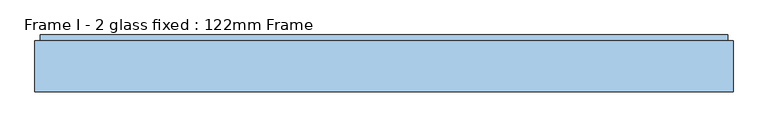
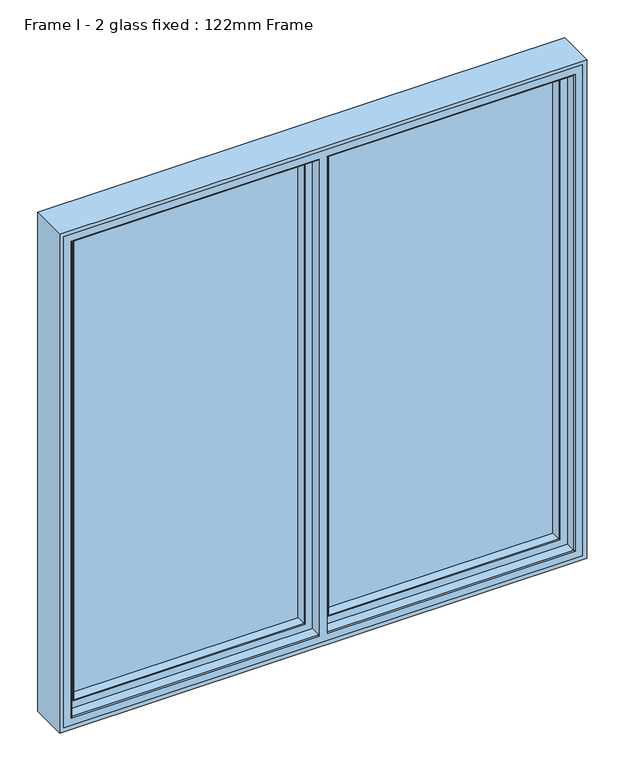
"""IFC4 building model written with IfcOpenShell, lengths in millimetres: window geometry, Frame I - 2 glass fixed : 122mm Frame."""

from ifc_helpers import new_model, si_unit, frame, origin, place, context, project, spatial, polyline, circle_curve, ellipse_curve, outline, extrude, source, transform, mapped, element, save
from ifc_brep_helpers import plane_surface, cylinder_surface, advanced_brep


def frame_i_2_glass_fixed_122mm_frame_a1879e1c(model_context):
    return source(origin(), model_context, "Body", "SolidModel", [
        extrude(outline(polyline([(24.2, 141.0), (702.6, 141.0), (702.6, 93.0), (24.2, 93.0), (24.2, 141.0)])), frame((0.0, 0.0, 847.4), z_axis=(0.0, 0.0, 1.0), x_axis=(1.0, 0.0, 0.0)), (0.0, 0.0, 1.0), 1405.2),
        advanced_brep(
        [(690.9078547, 66.2562613, 2240.9078547), (687.8697056, 91.0, 2237.8697056), (687.8697056, 91.0, 862.1302944), (690.9078547, 66.2562613, 859.0921453), (711.5, 91.0, 838.5), (14.5, 91.0, 838.5), (14.5, 91.0, 2261.5), (711.5, 91.0, 2261.5), (38.1302944, 91.0, 2237.8697056), (38.1302944, 91.0, 862.1302944), (35.0921453, 66.2562613, 859.0921453), (692.892947, 64.5, 2242.892947), (692.892947, 64.5, 857.107053), (711.5, 82.0, 2261.5), (711.5, 82.0, 838.5), (714.0, 82.0, 836.0), (12.0, 82.0, 836.0), (12.0, 82.0, 2264.0), (714.0, 82.0, 2264.0), (14.5, 82.0, 2261.5), (14.5, 82.0, 838.5), (714.0, 64.5, 2264.0), (714.0, 64.5, 836.0), (12.0, 64.5, 2264.0), (12.0, 64.5, 836.0), (33.107053, 64.5, 857.107053), (33.107053, 64.5, 2242.892947), (35.0921453, 66.2562613, 2240.9078547)],
        [
            (0, 1),
            (1, 2),
            (2, 3),
            (3, 0),
            (4, 5),
            (5, 6),
            (6, 7),
            (7, 4),
            (1, 8),
            (8, 9),
            (9, 2),
            (9, 10),
            (10, 3),
            (11, 0, ellipse_curve(frame((692.892947, 66.5, 2242.892947), z_axis=(0.7071067811865475, 0.0, -0.7071067811865475), x_axis=(0.7071067811865472, 0.0, 0.7071067811865477)), 2.8284271, 2.0)),
            (3, 12, ellipse_curve(frame((692.892947, 66.5, 857.107053), z_axis=(0.7071067811865475, 0.0, 0.7071067811865475), x_axis=(-0.7071067811865475, 0.0, 0.7071067811865476)), 2.8284271, 2.0)),
            (12, 11),
            (7, 13),
            (13, 14),
            (14, 4),
            (15, 16),
            (16, 17),
            (17, 18),
            (18, 15),
            (13, 19),
            (19, 20),
            (20, 14),
            (20, 5),
            (18, 21),
            (21, 22),
            (22, 15),
            (21, 23),
            (23, 24),
            (24, 22),
            (12, 25),
            (25, 26),
            (26, 11),
            (24, 16),
            (10, 25, ellipse_curve(frame((33.107053, 66.5, 857.107053), z_axis=(0.7071067811865475, 0.0, -0.7071067811865475), x_axis=(0.7071067811865477, 0.0, 0.7071067811865472)), 2.8284271, 2.0)),
            (8, 27),
            (27, 10),
            (19, 6),
            (23, 17),
            (27, 26, ellipse_curve(frame((33.107053, 66.5, 2242.892947), z_axis=(-0.7071067811865476, 0.0, -0.7071067811865475), x_axis=(0.7071067811865475, 0.0, -0.7071067811865475)), 2.8284271, 2.0)),
            (0, 27),
        ],
        [
            plane_surface(frame((687.8697056, 91.0, 2237.8697056), z_axis=(-0.9925461516413215, -0.12186934340515153, 0.0), x_axis=(0.0, 0.0, -1.0))),
            plane_surface(frame((14.5, 91.0, 2261.5), z_axis=(0.0, 1.0, 0.0), x_axis=(1.0, 0.0, 0.0))),
            plane_surface(frame((687.8697056, 91.0, 862.1302944), z_axis=(0.0, -0.12186934340515153, 0.9925461516413215), x_axis=(-1.0, 0.0, 0.0))),
            cylinder_surface(frame((692.892947, 66.5, 2237.6), z_axis=(0.0, 0.0, 1.0), x_axis=(0.0, 1.0, 0.0)), 2.0),
            plane_surface(frame((711.5, 82.0, 2261.5), z_axis=(1.0, 0.0, 0.0), x_axis=(0.0, 0.0, -1.0))),
            plane_surface(frame((12.0, 82.0, 2264.0), z_axis=(0.0, 1.0, 0.0), x_axis=(1.0, 0.0, 0.0))),
            plane_surface(frame((711.5, 82.0, 838.5), z_axis=(0.0, 0.0, -1.0), x_axis=(-1.0, 0.0, 0.0))),
            plane_surface(frame((714.0, 64.5, 2264.0), z_axis=(1.0, 0.0, 0.0), x_axis=(0.0, 0.0, -1.0))),
            plane_surface(frame((33.107053, 64.5, 2242.892947), z_axis=(0.0, -1.0, 0.0), x_axis=(1.0, 0.0, 0.0))),
            plane_surface(frame((714.0, 64.5, 836.0), z_axis=(0.0, 0.0, -1.0), x_axis=(-1.0, 0.0, 0.0))),
            cylinder_surface(frame((687.6, 66.5, 857.107053), z_axis=(1.0, 0.0, 0.0), x_axis=(0.0, 1.0, 0.0)), 2.0),
            plane_surface(frame((38.1302944, 91.0, 862.1302944), z_axis=(0.9925461516413215, -0.12186934340515153, 0.0), x_axis=(0.0, 0.0, 1.0))),
            plane_surface(frame((14.5, 82.0, 838.5), z_axis=(-1.0, 0.0, 0.0), x_axis=(0.0, 0.0, 1.0))),
            plane_surface(frame((12.0, 64.5, 836.0), z_axis=(-1.0, 0.0, 0.0), x_axis=(0.0, 0.0, 1.0))),
            cylinder_surface(frame((33.107053, 66.5, 862.4), z_axis=(0.0, 0.0, -1.0), x_axis=(0.0, 1.0, 0.0)), 2.0),
            plane_surface(frame((38.1302944, 91.0, 2237.8697056), z_axis=(0.0, -0.12186934340515153, -0.9925461516413215), x_axis=(1.0, 0.0, 0.0))),
            plane_surface(frame((14.5, 82.0, 2261.5), z_axis=(0.0, 0.0, 1.0), x_axis=(1.0, 0.0, 0.0))),
            plane_surface(frame((12.0, 64.5, 2264.0), z_axis=(0.0, 0.0, 1.0), x_axis=(1.0, 0.0, 0.0))),
            cylinder_surface(frame((38.4, 66.5, 2242.892947), z_axis=(-1.0, 0.0, 0.0), x_axis=(0.0, 1.0, 0.0)), 2.0),
        ],
        [
            (0, [[1, 2, 3, 4]]),
            (1, [[5, 6, 7, 8], [9, 10, 11, -2]]),
            (2, [[-3, -11, 12, 13]]),
            (3, [[14, -4, 15, 16]]),
            (4, [[17, 18, 19, -8]]),
            (5, [[20, 21, 22, 23], [24, 25, 26, -18]]),
            (6, [[-19, -26, 27, -5]]),
            (7, [[28, 29, 30, -23]]),
            (8, [[31, 32, 33, -29], [34, 35, 36, -16]]),
            (9, [[-30, -33, 37, -20]]),
            (10, [[-15, -13, 38, -34]]),
            (11, [[-12, -10, 39, 40]]),
            (12, [[-27, -25, 41, -6]]),
            (13, [[-37, -32, 42, -21]]),
            (14, [[-38, -40, 43, -35]]),
            (15, [[-39, -9, -1, 44]]),
            (16, [[-41, -24, -17, -7]]),
            (17, [[-42, -31, -28, -22]]),
            (18, [[-43, -44, -14, -36]]),
        ],
    ),
        advanced_brep(
        [(-714.0, 83.0, 2264.0), (-714.0, 35.0, 2264.0), (-714.0, 35.0, 836.0), (-714.0, 83.0, 836.0), (-717.0, 32.0, 2267.0), (-717.0, 32.0, 833.0), (-12.0, 35.0, 836.0), (-12.0, 83.0, 836.0), (714.0, 35.0, 836.0), (714.0, 83.0, 836.0), (12.0, 83.0, 836.0), (12.0, 35.0, 836.0), (-12.0, 83.0, 838.0), (-712.0, 83.0, 838.0), (-712.0, 83.0, 2262.0), (-12.0, 83.0, 2262.0), (-12.0, 83.0, 2264.0), (714.0, 83.0, 2264.0), (12.0, 83.0, 2264.0), (12.0, 83.0, 2262.0), (712.0, 83.0, 2262.0), (712.0, 83.0, 838.0), (12.0, 83.0, 838.0), (-712.0, 91.0, 2262.0), (-712.0, 91.0, 838.0), (712.0, 91.0, 838.0), (12.0, 91.0, 838.0), (-12.0, 91.0, 838.0), (-12.0, 91.0, 2262.0), (-705.7805994, 91.0, 2255.7805994), (-20.2, 91.0, 2255.7805994), (-20.2, 91.0, 844.2194006), (-705.7805994, 91.0, 844.2194006), (712.0, 91.0, 2262.0), (12.0, 91.0, 2262.0), (705.7805994, 91.0, 844.2194006), (20.2, 91.0, 844.2194006), (20.2, 91.0, 2255.7805994), (705.7805994, 91.0, 2255.7805994), (-688.0131086, 143.3877115, 2238.0131086), (-688.0131086, 142.0, 2238.0131086), (-688.0131086, 142.0, 861.9868914), (-688.0131086, 143.3877115, 861.9868914), (-712.2226568, 142.0, 2262.2226568), (-712.2226568, 142.0, 837.7773432), (-13.9379874, 142.0, 837.7773432), (-13.9379874, 142.0, 2262.2226568), (-38.4111574, 142.0, 2238.0131086), (-38.4111574, 142.0, 861.9868914), (712.2226568, 142.0, 837.7773432), (712.2226568, 142.0, 2262.2226568), (13.9379874, 142.0, 2262.2226568), (13.9379874, 142.0, 837.7773432), (688.0131086, 142.0, 2238.0131086), (688.0131086, 142.0, 861.9868914), (38.4111574, 142.0, 861.9868914), (38.4111574, 142.0, 2238.0131086), (-37.9868914, 143.3877115, 861.9868914), (688.0131086, 143.3877115, 861.9868914), (37.9868914, 143.3877115, 861.9868914), (-691.2576108, 154.0, 858.7423892), (-691.2576108, 154.0, 2241.2576108), (-34.7423892, 154.0, 858.7423892), (691.2576108, 154.0, 858.7423892), (34.7423892, 154.0, 858.7423892), (738.0, 154.0, 812.0), (-738.0, 154.0, 812.0), (-738.0, 154.0, 2288.0), (738.0, 154.0, 2288.0), (-34.7423892, 154.0, 2241.2576108), (691.2576108, 154.0, 2241.2576108), (34.7423892, 154.0, 2241.2576108), (-738.0, 90.5, 2288.0), (-738.0, 90.5, 812.0), (738.0, 90.5, 812.0), (12.0, 90.5, 812.0), (12.0, 86.5, 812.0), (738.0, 86.5, 812.0), (738.0, 32.0, 812.0), (-738.0, 32.0, 812.0), (-738.0, 86.5, 812.0), (-12.0, 86.5, 812.0), (-12.0, 90.5, 812.0), (-12.0, 90.5, 819.0), (-731.0, 90.5, 819.0), (-731.0, 90.5, 2281.0), (-12.0, 90.5, 2281.0), (-12.0, 90.5, 2288.0), (738.0, 90.5, 2288.0), (12.0, 90.5, 2288.0), (12.0, 90.5, 2281.0), (731.0, 90.5, 2281.0), (731.0, 90.5, 819.0), (12.0, 90.5, 819.0), (-12.0, 32.0, 833.0), (717.0, 32.0, 833.0), (12.0, 32.0, 833.0), (-12.0, 86.5, 819.0), (-12.0, 32.0, 2267.0), (-12.0, 35.0, 2264.0), (-12.0, 86.5, 2288.0), (-12.0, 86.5, 2281.0), (714.0, 35.0, 2264.0), (12.0, 86.5, 819.0), (12.0, 32.0, 2267.0), (12.0, 35.0, 2264.0), (12.0, 86.5, 2288.0), (12.0, 86.5, 2281.0), (-37.9868914, 143.3877115, 2238.0131086), (688.0131086, 143.3877115, 2238.0131086), (37.9868914, 143.3877115, 2238.0131086), (-731.0, 86.5, 2281.0), (-731.0, 86.5, 819.0), (-738.0, 86.5, 2288.0), (731.0, 86.5, 819.0), (731.0, 86.5, 2281.0), (738.0, 86.5, 2288.0), (738.0, 32.0, 2288.0), (-738.0, 32.0, 2288.0), (717.0, 32.0, 2267.0)],
        [
            (0, 1),
            (1, 2),
            (2, 3),
            (3, 0),
            (1, 4, ellipse_curve(frame((-717.0, 35.0, 2267.0), z_axis=(-0.7071067811865475, 0.0, -0.7071067811865475), x_axis=(-0.7071067811865474, 0.0, 0.7071067811865476)), 4.2426407, 3.0)),
            (4, 5),
            (5, 2, ellipse_curve(frame((-717.0, 35.0, 833.0), z_axis=(-0.7071067811865475, 0.0, 0.7071067811865475), x_axis=(0.7071067811865474, 0.0, 0.7071067811865476)), 4.2426407, 3.0)),
            (2, 6),
            (6, 7),
            (7, 3),
            (8, 9),
            (9, 10),
            (10, 11),
            (11, 8),
            (7, 12),
            (12, 13),
            (13, 14),
            (14, 15),
            (15, 16),
            (16, 0),
            (9, 17),
            (17, 18),
            (18, 19),
            (19, 20),
            (20, 21),
            (21, 22),
            (22, 10),
            (23, 14),
            (13, 24),
            (24, 23),
            (21, 25),
            (25, 26),
            (26, 22),
            (27, 24),
            (12, 27),
            (27, 28),
            (28, 23),
            (29, 30),
            (30, 31),
            (31, 32),
            (32, 29),
            (25, 33),
            (33, 34),
            (34, 26),
            (35, 36),
            (36, 37),
            (37, 38),
            (38, 35),
            (39, 40),
            (40, 41),
            (41, 42),
            (42, 39),
            (43, 44),
            (44, 45),
            (45, 46),
            (46, 43),
            (40, 47),
            (47, 48),
            (48, 41),
            (49, 50),
            (50, 51),
            (51, 52),
            (52, 49),
            (53, 54),
            (54, 55),
            (55, 56),
            (56, 53),
            (48, 57),
            (57, 42),
            (54, 58),
            (58, 59),
            (59, 55),
            (42, 60),
            (60, 61),
            (61, 39),
            (57, 62),
            (62, 60),
            (58, 63),
            (63, 64),
            (64, 59),
            (65, 66),
            (66, 67),
            (67, 68),
            (68, 65),
            (62, 69),
            (69, 61),
            (70, 71),
            (71, 64),
            (63, 70),
            (72, 67),
            (66, 73),
            (73, 72),
            (65, 74),
            (74, 75),
            (75, 76),
            (76, 77),
            (77, 78),
            (78, 79),
            (79, 80),
            (80, 81),
            (81, 82),
            (82, 73),
            (82, 83),
            (83, 84),
            (84, 85),
            (85, 86),
            (86, 87),
            (87, 72),
            (74, 88),
            (88, 89),
            (89, 90),
            (90, 91),
            (91, 92),
            (92, 93),
            (93, 75),
            (5, 94),
            (94, 6, circle_curve(frame((-12.0, 35.0, 833.0), z_axis=(-1.0, 0.0, 0.0), x_axis=(0.0, 1.0, 0.0)), 3.0)),
            (95, 8, ellipse_curve(frame((717.0, 35.0, 833.0), z_axis=(-0.7071067811865475, 0.0, -0.7071067811865475), x_axis=(-0.7071067811865476, 0.0, 0.7071067811865474)), 4.2426407, 3.0)),
            (11, 96, circle_curve(frame((12.0, 35.0, 833.0), z_axis=(1.0, 0.0, 0.0), x_axis=(0.0, 1.0, 0.0)), 3.0)),
            (96, 95),
            (81, 97),
            (97, 83),
            (94, 98),
            (98, 99, circle_curve(frame((-12.0, 35.0, 2267.0), z_axis=(1.0, 0.0, 0.0), x_axis=(0.0, 1.0, 0.0)), 3.0)),
            (99, 16),
            (15, 28),
            (100, 87),
            (86, 101),
            (101, 100),
            (8, 102),
            (102, 17),
            (93, 103),
            (103, 76),
            (104, 96),
            (34, 19),
            (18, 105),
            (105, 104, circle_curve(frame((12.0, 35.0, 2267.0), z_axis=(-1.0, 0.0, 0.0), x_axis=(0.0, 1.0, 0.0)), 3.0)),
            (89, 106),
            (106, 107),
            (107, 90),
            (20, 33),
            (47, 108),
            (108, 69),
            (53, 109),
            (109, 58),
            (71, 110),
            (110, 56),
            (109, 70),
            (68, 88),
            (111, 112),
            (112, 97),
            (80, 113),
            (113, 100),
            (101, 111),
            (114, 115),
            (115, 107),
            (106, 116),
            (116, 77),
            (103, 114),
            (117, 78),
            (116, 117),
            (117, 118),
            (118, 79),
            (4, 98),
            (104, 119),
            (119, 95),
            (118, 113),
            (119, 102, ellipse_curve(frame((717.0, 35.0, 2267.0), z_axis=(0.7071067811865475, 0.0, -0.7071067811865475), x_axis=(-0.7071067811865474, 0.0, -0.7071067811865476)), 4.2426407, 3.0)),
            (49, 35),
            (38, 50),
            (51, 37),
            (36, 52),
            (44, 32),
            (31, 45),
            (43, 29),
            (30, 46),
            (111, 85),
            (84, 112),
            (92, 114),
            (91, 115),
            (99, 1),
            (102, 105),
            (39, 108),
            (110, 109),
        ],
        [
            plane_surface(frame((-714.0, 35.0, 2264.0), z_axis=(1.0, 0.0, 0.0), x_axis=(0.0, 0.0, -1.0))),
            cylinder_surface(frame((-717.0, 35.0, 2288.0), z_axis=(0.0, 0.0, 1.0), x_axis=(0.0, 1.0, 0.0)), 3.0),
            plane_surface(frame((-714.0, 35.0, 836.0), z_axis=(0.0, 0.0, 1.0), x_axis=(1.0, 0.0, 0.0))),
            plane_surface(frame((714.0, 83.0, 2264.0), z_axis=(0.0, -1.0, 0.0), x_axis=(-1.0, 0.0, 0.0))),
            plane_surface(frame((-712.0, 83.0, 2262.0), z_axis=(1.0, 0.0, 0.0), x_axis=(0.0, 0.0, -1.0))),
            plane_surface(frame((-712.0, 83.0, 838.0), z_axis=(0.0, 0.0, 1.0), x_axis=(1.0, 0.0, 0.0))),
            plane_surface(frame((712.0, 91.0, 2262.0), z_axis=(0.0, -1.0, 0.0), x_axis=(-1.0, 0.0, 0.0))),
            plane_surface(frame((-688.0131086, 142.0, 2238.0131086), z_axis=(1.0, 0.0, 0.0), x_axis=(0.0, 0.0, -1.0))),
            plane_surface(frame((712.2226568, 142.0, 2262.2226568), z_axis=(0.0, -1.0, 0.0), x_axis=(-1.0, 0.0, 0.0))),
            plane_surface(frame((-688.0131086, 142.0, 861.9868914), z_axis=(0.0, 0.0, 1.0), x_axis=(1.0, 0.0, 0.0))),
            plane_surface(frame((-688.0131086, 143.3877115, 2238.0131086), z_axis=(0.9563047559629366, 0.2923717047230602, 0.0), x_axis=(0.0, 0.0, -1.0))),
            plane_surface(frame((-688.0131086, 143.3877115, 861.9868914), z_axis=(0.0, 0.2923717047230602, 0.9563047559629366), x_axis=(1.0, 0.0, 0.0))),
            plane_surface(frame((691.2576108, 154.0, 2241.2576108), z_axis=(0.0, 1.0, 0.0), x_axis=(-1.0, 0.0, 0.0))),
            plane_surface(frame((-738.0, 154.0, 2288.0), z_axis=(-1.0, 0.0, 0.0), x_axis=(0.0, 0.0, -1.0))),
            plane_surface(frame((-738.0, 154.0, 812.0), z_axis=(0.0, 0.0, -1.0), x_axis=(1.0, 0.0, 0.0))),
            plane_surface(frame((738.0, 90.5, 2288.0), z_axis=(0.0, -1.0, 0.0), x_axis=(-1.0, 0.0, 0.0))),
            cylinder_surface(frame((-738.0, 35.0, 833.0), z_axis=(-1.0, 0.0, 0.0), x_axis=(0.0, 1.0, 0.0)), 3.0),
            plane_surface(frame((-12.0, 91.0, 2288.0), z_axis=(-1.0, 0.0, 0.0), x_axis=(0.0, 0.0, -1.0))),
            plane_surface(frame((714.0, 35.0, 836.0), z_axis=(-1.0, 0.0, 0.0), x_axis=(0.0, 0.0, 1.0))),
            plane_surface(frame((12.0, 32.0, 2288.0), z_axis=(1.0, 0.0, 0.0), x_axis=(0.0, 0.0, -1.0))),
            plane_surface(frame((712.0, 83.0, 838.0), z_axis=(-1.0, 0.0, 0.0), x_axis=(0.0, 0.0, 1.0))),
            plane_surface(frame((-34.7423892, 154.0, 2288.0), z_axis=(-0.9563047559630803, 0.2923717047225904, 0.0), x_axis=(0.0, 0.0, -1.0))),
            plane_surface(frame((688.0131086, 142.0, 861.9868914), z_axis=(-1.0, 0.0, 0.0), x_axis=(0.0, 0.0, 1.0))),
            plane_surface(frame((38.4111574, 142.0, 2288.0), z_axis=(0.956304755963078, 0.2923717047225978, 0.0), x_axis=(0.0, 0.0, -1.0))),
            plane_surface(frame((688.0131086, 143.3877115, 861.9868914), z_axis=(-0.9563047559629366, 0.2923717047230602, 0.0), x_axis=(0.0, 0.0, 1.0))),
            plane_surface(frame((738.0, 154.0, 812.0), z_axis=(1.0, 0.0, 0.0), x_axis=(0.0, 0.0, 1.0))),
            plane_surface(frame((731.0, 86.5, 2281.0), z_axis=(0.0, 1.0, 0.0), x_axis=(-1.0, 0.0, 0.0))),
            plane_surface(frame((738.0, 86.5, 812.0), z_axis=(1.0, 0.0, 0.0), x_axis=(0.0, 0.0, 1.0))),
            plane_surface(frame((738.0, 32.0, 2288.0), z_axis=(0.0, -1.0, 0.0), x_axis=(-1.0, 0.0, 0.0))),
            plane_surface(frame((-738.0, 86.5, 2288.0), z_axis=(-1.0, 0.0, 0.0), x_axis=(0.0, 0.0, -1.0))),
            cylinder_surface(frame((717.0, 35.0, 812.0), z_axis=(0.0, 0.0, -1.0), x_axis=(0.0, 1.0, 0.0)), 3.0),
            plane_surface(frame((705.7805994, 91.0, 844.2194006), z_axis=(-0.9921164934933605, 0.12531904619186535, 0.0), x_axis=(0.0, 0.0, 1.0))),
            plane_surface(frame((20.2, 91.0, 2288.0), z_axis=(0.9925461516413162, 0.12186934340519495, 0.0), x_axis=(0.0, 0.0, -1.0))),
            plane_surface(frame((-705.7805994, 91.0, 844.2194006), z_axis=(0.0, 0.12531904619186535, 0.9921164934933605), x_axis=(1.0, 0.0, 0.0))),
            plane_surface(frame((-705.7805994, 91.0, 2255.7805994), z_axis=(0.9921164934933605, 0.12531904619186535, 0.0), x_axis=(0.0, 0.0, -1.0))),
            plane_surface(frame((-13.9379874, 142.0, 2288.0), z_axis=(-0.9925461516413195, 0.12186934340516777, 0.0), x_axis=(0.0, 0.0, -1.0))),
            plane_surface(frame((-731.0, 90.5, 2281.0), z_axis=(-1.0, 0.0, 0.0), x_axis=(0.0, 0.0, -1.0))),
            plane_surface(frame((-731.0, 90.5, 819.0), z_axis=(0.0, 0.0, -1.0), x_axis=(1.0, 0.0, 0.0))),
            plane_surface(frame((731.0, 90.5, 819.0), z_axis=(1.0, 0.0, 0.0), x_axis=(0.0, 0.0, 1.0))),
            plane_surface(frame((714.0, 35.0, 2264.0), z_axis=(0.0, 0.0, -1.0), x_axis=(-1.0, 0.0, 0.0))),
            plane_surface(frame((712.0, 83.0, 2262.0), z_axis=(0.0, 0.0, -1.0), x_axis=(-1.0, 0.0, 0.0))),
            plane_surface(frame((688.0131086, 142.0, 2238.0131086), z_axis=(0.0, 0.0, -1.0), x_axis=(-1.0, 0.0, 0.0))),
            plane_surface(frame((688.0131086, 143.3877115, 2238.0131086), z_axis=(0.0, 0.2923717047230602, -0.9563047559629366), x_axis=(-1.0, 0.0, 0.0))),
            plane_surface(frame((738.0, 154.0, 2288.0), z_axis=(0.0, 0.0, 1.0), x_axis=(-1.0, 0.0, 0.0))),
            cylinder_surface(frame((738.0, 35.0, 2267.0), z_axis=(1.0, 0.0, 0.0), x_axis=(0.0, 1.0, 0.0)), 3.0),
            plane_surface(frame((705.7805994, 91.0, 2255.7805994), z_axis=(0.0, 0.12531904619186535, -0.9921164934933605), x_axis=(-1.0, 0.0, 0.0))),
            plane_surface(frame((731.0, 90.5, 2281.0), z_axis=(0.0, 0.0, 1.0), x_axis=(-1.0, 0.0, 0.0))),
        ],
        [
            (0, [[1, 2, 3, 4]]),
            (1, [[-2, 5, 6, 7]]),
            (2, [[-3, 8, 9, 10]]),
            (2, [[11, 12, 13, 14]]),
            (3, [[-4, -10, 15, 16, 17, 18, 19, 20]]),
            (3, [[21, 22, 23, 24, 25, 26, 27, -12]]),
            (4, [[28, -17, 29, 30]]),
            (5, [[31, 32, 33, -26]]),
            (5, [[34, -29, -16, 35]]),
            (6, [[-30, -34, 36, 37], [38, 39, 40, 41]]),
            (6, [[42, 43, 44, -32], [45, 46, 47, 48]]),
            (7, [[49, 50, 51, 52]]),
            (8, [[53, 54, 55, 56], [-50, 57, 58, 59]]),
            (8, [[60, 61, 62, 63], [64, 65, 66, 67]]),
            (9, [[-51, -59, 68, 69]]),
            (9, [[70, 71, 72, -65]]),
            (10, [[-52, 73, 74, 75]]),
            (11, [[-73, -69, 76, 77]]),
            (11, [[78, 79, 80, -71]]),
            (12, [[81, 82, 83, 84], [-74, -77, 85, 86], [87, 88, -79, 89]]),
            (13, [[90, -82, 91, 92]]),
            (14, [[-91, -81, 93, 94, 95, 96, 97, 98, 99, 100, 101, 102]]),
            (15, [[-92, -102, 103, 104, 105, 106, 107, 108]]),
            (15, [[109, 110, 111, 112, 113, 114, 115, -94]]),
            (16, [[-7, 116, 117, -8]]),
            (16, [[118, -14, 119, 120]]),
            (17, [[-101, 121, 122, -103]]),
            (17, [[123, 124, 125, -19, 126, -36, -35, -15, -9, -117]]),
            (17, [[127, -107, 128, 129]]),
            (18, [[-11, 130, 131, -21]]),
            (19, [[-95, -115, 132, 133]]),
            (19, [[134, -119, -13, -27, -33, -44, 135, -23, 136, 137]]),
            (19, [[138, 139, 140, -111]]),
            (20, [[-31, -25, 141, -42]]),
            (21, [[-58, 142, 143, -85, -76, -68]]),
            (22, [[-70, -64, 144, 145]]),
            (23, [[-66, -72, -80, -88, 146, 147]]),
            (24, [[-78, -145, 148, -89]]),
            (25, [[-93, -84, 149, -109]]),
            (26, [[150, 151, -121, -100, 152, 153, -129, 154]]),
            (26, [[155, 156, -139, 157, 158, -96, -133, 159]]),
            (27, [[160, -97, -158, 161]]),
            (28, [[-98, -160, 162, 163], [-6, 164, -123, -116], [-120, -134, 165, 166]]),
            (29, [[-163, 167, -152, -99]]),
            (30, [[-130, -118, -166, 168]]),
            (31, [[-60, 169, -48, 170]]),
            (32, [[-62, 171, -46, 172]]),
            (33, [[-54, 173, -40, 174]]),
            (33, [[-169, -63, -172, -45]]),
            (34, [[-53, 175, -41, -173]]),
            (35, [[-55, -174, -39, 176]]),
            (36, [[177, -105, 178, -150]]),
            (37, [[-178, -104, -122, -151]]),
            (37, [[179, -159, -132, -114]]),
            (38, [[-179, -113, 180, -155]]),
            (39, [[-1, -20, -125, 181]]),
            (39, [[-131, 182, -136, -22]]),
            (40, [[-28, -37, -126, -18]]),
            (40, [[-43, -141, -24, -135]]),
            (41, [[-49, 183, -142, -57]]),
            (41, [[-144, -67, -147, 184]]),
            (42, [[-75, -86, -143, -183]]),
            (42, [[-148, -184, -146, -87]]),
            (43, [[-83, -90, -108, -127, -153, -167, -162, -161, -157, -138, -110, -149]]),
            (44, [[-5, -181, -124, -164]]),
            (44, [[-168, -165, -137, -182]]),
            (45, [[-61, -170, -47, -171]]),
            (45, [[-175, -56, -176, -38]]),
            (46, [[-177, -154, -128, -106]]),
            (46, [[-180, -112, -140, -156]]),
        ],
    ),
        extrude(outline(polyline([(2300.0, -750.0), (800.0, -750.0), (800.0, 750.0), (2300.0, 750.0), (2300.0, -750.0)]), holes=[polyline([(2288.0, 738.0), (812.0, 738.0), (812.0, -738.0), (2288.0, -738.0), (2288.0, 738.0)])]), frame((0.0, 32.0, 0.0), z_axis=(0.0, 1.0, 0.0), x_axis=(0.0, 0.0, 1.0)), (0.0, 0.0, 1.0), 109.0),
        extrude(outline(polyline([(-702.6, 141.0), (-24.2, 141.0), (-24.2, 93.0), (-702.6, 93.0), (-702.6, 141.0)])), frame((0.0, 0.0, 847.4), z_axis=(0.0, 0.0, 1.0), x_axis=(1.0, 0.0, 0.0)), (0.0, 0.0, 1.0), 1405.2),
        advanced_brep(
        [(-687.8697056, 91.0, 2237.8697056), (-690.9078547, 66.2562613, 2240.9078547), (-690.9078547, 66.2562613, 859.0921453), (-687.8697056, 91.0, 862.1302944), (-692.892947, 64.5, 2242.892947), (-692.892947, 64.5, 857.107053), (-35.0921453, 66.2562613, 859.0921453), (-38.1302944, 91.0, 862.1302944), (-711.5, 91.0, 2261.5), (-14.5, 91.0, 2261.5), (-14.5, 91.0, 838.5), (-711.5, 91.0, 838.5), (-38.1302944, 91.0, 2237.8697056), (-711.5, 82.0, 2261.5), (-711.5, 82.0, 838.5), (-14.5, 82.0, 838.5), (-714.0, 82.0, 2264.0), (-12.0, 82.0, 2264.0), (-12.0, 82.0, 836.0), (-714.0, 82.0, 836.0), (-14.5, 82.0, 2261.5), (-714.0, 64.5, 2264.0), (-714.0, 64.5, 836.0), (-12.0, 64.5, 836.0), (-12.0, 64.5, 2264.0), (-33.107053, 64.5, 2242.892947), (-33.107053, 64.5, 857.107053), (-35.0921453, 66.2562613, 2240.9078547)],
        [
            (0, 1),
            (1, 2),
            (2, 3),
            (3, 0),
            (1, 4, ellipse_curve(frame((-692.892947, 66.5, 2242.892947), z_axis=(-0.7071067811865475, 0.0, -0.7071067811865475), x_axis=(-0.7071067811865474, 0.0, 0.7071067811865476)), 2.8284271, 2.0)),
            (4, 5),
            (5, 2, ellipse_curve(frame((-692.892947, 66.5, 857.107053), z_axis=(-0.7071067811865475, 0.0, 0.7071067811865475), x_axis=(0.7071067811865474, 0.0, 0.7071067811865476)), 2.8284271, 2.0)),
            (2, 6),
            (6, 7),
            (7, 3),
            (8, 9),
            (9, 10),
            (10, 11),
            (11, 8),
            (7, 12),
            (12, 0),
            (13, 8),
            (11, 14),
            (14, 13),
            (10, 15),
            (15, 14),
            (16, 17),
            (17, 18),
            (18, 19),
            (19, 16),
            (15, 20),
            (20, 13),
            (21, 16),
            (19, 22),
            (22, 21),
            (18, 23),
            (23, 22),
            (23, 24),
            (24, 21),
            (4, 25),
            (25, 26),
            (26, 5),
            (26, 6, ellipse_curve(frame((-33.107053, 66.5, 857.107053), z_axis=(-0.7071067811865475, 0.0, -0.7071067811865475), x_axis=(-0.7071067811865476, 0.0, 0.7071067811865474)), 2.8284271, 2.0)),
            (6, 27),
            (27, 12),
            (9, 20),
            (17, 24),
            (25, 27, ellipse_curve(frame((-33.107053, 66.5, 2242.892947), z_axis=(0.7071067811865475, 0.0, -0.7071067811865475), x_axis=(-0.7071067811865474, 0.0, -0.7071067811865476)), 2.8284271, 2.0)),
            (27, 1),
        ],
        [
            plane_surface(frame((-690.9078547, 66.2562613, 2240.9078547), z_axis=(0.9925461516413222, -0.12186934340514635, 0.0), x_axis=(0.0, 0.0, -1.0))),
            cylinder_surface(frame((-692.892947, 66.5, 2237.6), z_axis=(0.0, 0.0, 1.0), x_axis=(0.0, 1.0, 0.0)), 2.0),
            plane_surface(frame((-690.9078547, 66.2562613, 859.0921453), z_axis=(0.0, -0.12186934340514635, 0.9925461516413222), x_axis=(1.0, 0.0, 0.0))),
            plane_surface(frame((-38.1302944, 91.0, 2237.8697056), z_axis=(0.0, 1.0, 0.0), x_axis=(-1.0, 0.0, 0.0))),
            plane_surface(frame((-711.5, 91.0, 2261.5), z_axis=(-1.0, 0.0, 0.0), x_axis=(0.0, 0.0, -1.0))),
            plane_surface(frame((-711.5, 91.0, 838.5), z_axis=(0.0, 0.0, -1.0), x_axis=(1.0, 0.0, 0.0))),
            plane_surface(frame((-14.5, 82.0, 2261.5), z_axis=(0.0, 1.0, 0.0), x_axis=(-1.0, 0.0, 0.0))),
            plane_surface(frame((-714.0, 82.0, 2264.0), z_axis=(-1.0, 0.0, 0.0), x_axis=(0.0, 0.0, -1.0))),
            plane_surface(frame((-714.0, 82.0, 836.0), z_axis=(0.0, 0.0, -1.0), x_axis=(1.0, 0.0, 0.0))),
            plane_surface(frame((-12.0, 64.5, 2264.0), z_axis=(0.0, -1.0, 0.0), x_axis=(-1.0, 0.0, 0.0))),
            cylinder_surface(frame((-687.6, 66.5, 857.107053), z_axis=(-1.0, 0.0, 0.0), x_axis=(0.0, 1.0, 0.0)), 2.0),
            plane_surface(frame((-35.0921453, 66.2562613, 859.0921453), z_axis=(-0.9925461516413222, -0.12186934340514635, 0.0), x_axis=(0.0, 0.0, 1.0))),
            plane_surface(frame((-14.5, 91.0, 838.5), z_axis=(1.0, 0.0, 0.0), x_axis=(0.0, 0.0, 1.0))),
            plane_surface(frame((-12.0, 82.0, 836.0), z_axis=(1.0, 0.0, 0.0), x_axis=(0.0, 0.0, 1.0))),
            cylinder_surface(frame((-33.107053, 66.5, 862.4), z_axis=(0.0, 0.0, -1.0), x_axis=(0.0, 1.0, 0.0)), 2.0),
            plane_surface(frame((-35.0921453, 66.2562613, 2240.9078547), z_axis=(0.0, -0.12186934340514635, -0.9925461516413222), x_axis=(-1.0, 0.0, 0.0))),
            plane_surface(frame((-14.5, 91.0, 2261.5), z_axis=(0.0, 0.0, 1.0), x_axis=(-1.0, 0.0, 0.0))),
            plane_surface(frame((-12.0, 82.0, 2264.0), z_axis=(0.0, 0.0, 1.0), x_axis=(-1.0, 0.0, 0.0))),
            cylinder_surface(frame((-38.4, 66.5, 2242.892947), z_axis=(1.0, 0.0, 0.0), x_axis=(0.0, 1.0, 0.0)), 2.0),
        ],
        [
            (0, [[1, 2, 3, 4]]),
            (1, [[5, 6, 7, -2]]),
            (2, [[-3, 8, 9, 10]]),
            (3, [[11, 12, 13, 14], [-10, 15, 16, -4]]),
            (4, [[17, -14, 18, 19]]),
            (5, [[-18, -13, 20, 21]]),
            (6, [[22, 23, 24, 25], [-21, 26, 27, -19]]),
            (7, [[28, -25, 29, 30]]),
            (8, [[-29, -24, 31, 32]]),
            (9, [[-32, 33, 34, -30], [35, 36, 37, -6]]),
            (10, [[-7, -37, 38, -8]]),
            (11, [[-9, 39, 40, -15]]),
            (12, [[-20, -12, 41, -26]]),
            (13, [[-31, -23, 42, -33]]),
            (14, [[-38, -36, 43, -39]]),
            (15, [[-40, 44, -1, -16]]),
            (16, [[-41, -11, -17, -27]]),
            (17, [[-42, -22, -28, -34]]),
            (18, [[-43, -35, -5, -44]]),
        ],
    ),
    ])


if __name__ == "__main__":
    model = new_model("IFC4")
    model_context = context("Model", 3, world=origin())
    ifc_project = project(units=[si_unit("LENGTHUNIT", "METRE", prefix="MILLI")], contexts=[model_context])
    site = spatial("IfcSite", under=ifc_project)
    building = spatial("IfcBuilding", under=site)
    placement = place(None, origin())
    frame_i_2_glass_fixed_122mm_frame_shape = frame_i_2_glass_fixed_122mm_frame_a1879e1c(model_context)
    element("IfcWindow", 1, ObjectType="Frame I - 2 glass fixed : 122mm Frame", at=placement, inside=building, context=model_context, shape_type="MappedRepresentation", body=[
        mapped(frame_i_2_glass_fixed_122mm_frame_shape, transform((0.0, 0.0, 0.0), x_axis=(1.0, 0.0, 0.0), y_axis=(0.0, 1.0, 0.0), z_axis=(0.0, 0.0, 1.0))),
    ])
    save(model, "model.ifc")
